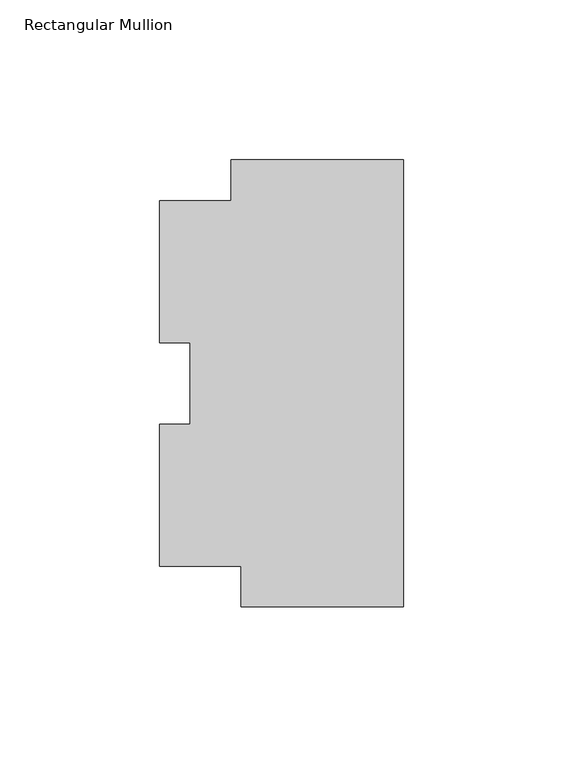
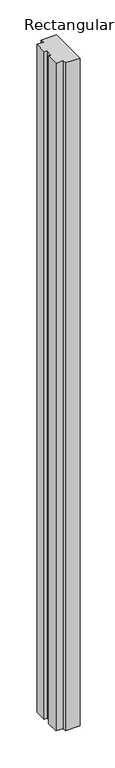
"""IFC4 building model written with IfcOpenShell, lengths in millimetres: member geometry, Rectangular Mullion."""

from ifc_helpers import new_model, si_unit, frame, origin, place, context, project, spatial, polyline, outline, extrude, source, transform, mapped, element, save


def rectangular_mullion_33b76147(model_context):
    return source(origin(), model_context, "Body", "SweptSolid", [
        extrude(outline(polyline([(-53.8261719, 69.9326366), (0.0, 69.9326366), (0.0, -69.7980391), (-50.8, -69.7980391), (-50.8, -57.0921329), (-76.2, -57.0921329), (-76.2, -12.6970085), (-66.675, -12.6970085), (-66.675, 12.7906899), (-76.2, 12.7906899), (-76.2, 57.2078671), (-53.8261719, 57.2078671), (-53.8261719, 69.9326366)])), frame((0.0, 0.0, -2438.4), z_axis=(0.0, 0.0, 1.0), x_axis=(1.0, 0.0, 0.0)), (0.0, 0.0, 1.0), 2438.4),
    ])


if __name__ == "__main__":
    model = new_model("IFC4")
    model_context = context("Model", 3, world=origin())
    ifc_project = project(units=[si_unit("LENGTHUNIT", "METRE", prefix="MILLI")], contexts=[model_context])
    site = spatial("IfcSite", under=ifc_project)
    building = spatial("IfcBuilding", under=site)
    placement = place(None, origin())
    rectangular_mullion_shape = rectangular_mullion_33b76147(model_context)
    element("IfcMember", 1, ObjectType="Rectangular Mullion", at=placement, inside=building, context=model_context, shape_type="MappedRepresentation", body=[
        mapped(rectangular_mullion_shape, transform((0.0, 0.0, 0.0), x_axis=(1.0, 0.0, 0.0), y_axis=(0.0, 1.0, 0.0), z_axis=(0.0, 0.0, 1.0))),
    ])
    save(model, "model.ifc")
